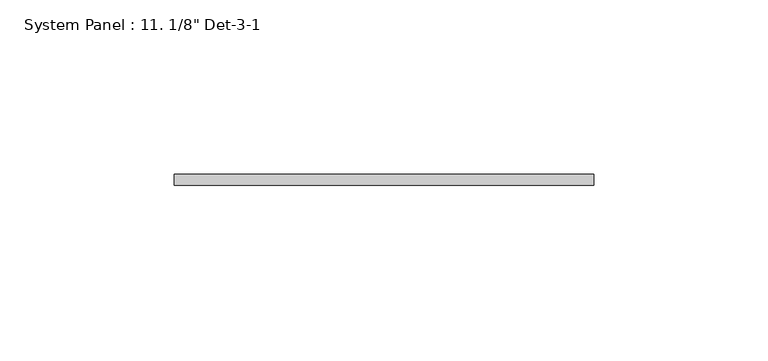
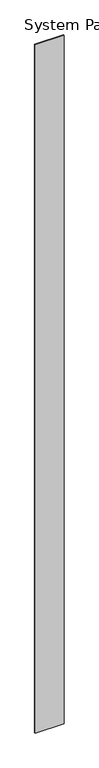
"""IFC4 building model written with IfcOpenShell, lengths in millimetres: plate geometry."""

from ifc_helpers import new_model, si_unit, origin, origin_with_axes, place, context, project, spatial, polyline, outline, extrude, source, transform, mapped, element, save


def plate_d98ba6b9(model_context):
    return source(origin(), model_context, "Body", "SweptSolid", [
        extrude(outline(polyline([(60.325, 0.0), (-60.325, 0.0), (-60.325, 3.175), (60.325, 3.175), (60.325, 0.0)])), origin_with_axes(), (0.0, 0.0, 1.0), 3048.0),
    ])


if __name__ == "__main__":
    model = new_model("IFC4")
    model_context = context("Model", 3, world=origin())
    ifc_project = project(units=[si_unit("LENGTHUNIT", "METRE", prefix="MILLI")], contexts=[model_context])
    site = spatial("IfcSite", under=ifc_project)
    building = spatial("IfcBuilding", under=site)
    placement = place(None, origin())
    plate_shape = plate_d98ba6b9(model_context)
    element("IfcPlate", 1, ObjectType="System Panel : 11. 1/8\" Det-3-1", at=placement, inside=building, context=model_context, shape_type="MappedRepresentation", body=[
        mapped(plate_shape, transform((0.0, 0.0, 0.0), x_axis=(1.0, 0.0, 0.0), y_axis=(0.0, 1.0, 0.0), z_axis=(0.0, 0.0, 1.0))),
    ])
    save(model, "model.ifc")
